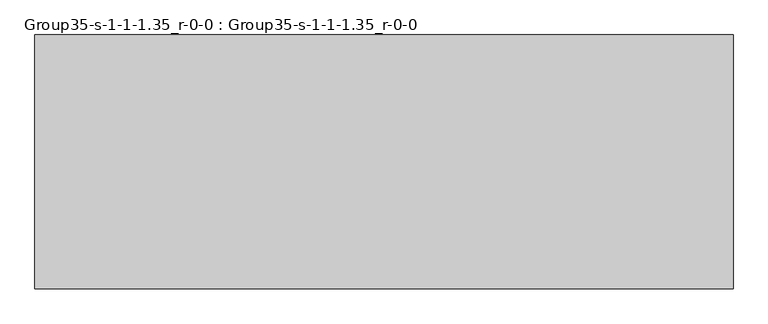
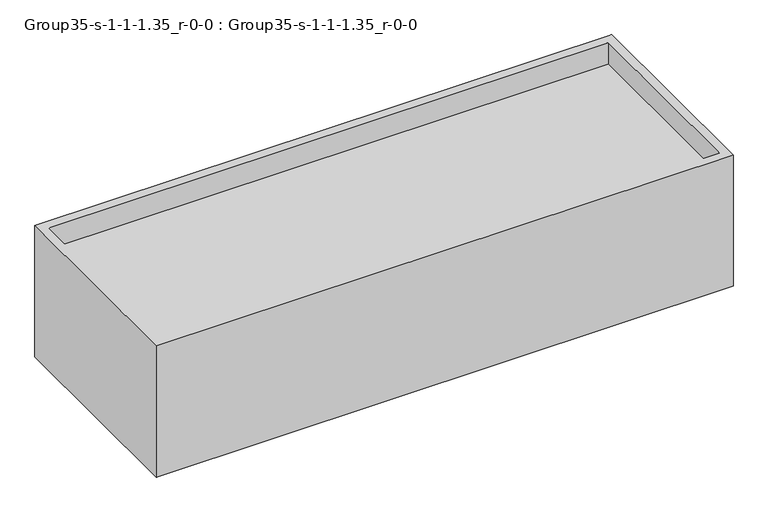
"""IFC4 building model written with IfcOpenShell, lengths in millimetres: geographic element geometry, Group35-s-1-1-1.35_r-0-0 : Group35-s-1-1-1.35_r-0-0."""

from ifc_helpers import new_model, si_unit, origin, place, context, project, spatial, triangles, source, transform, mapped, element, save


def group35_s_1_1_1_35_r_0_0_group35_s_1_1_1_35_r_0_0_d5b2540d(model_context):
    return source(origin(), model_context, "Body", "Tessellation", [
        triangles([(16976.7253876, 7585.0748062, 0.0), (-3868.7658897, 0.0, 0.0), (-3868.7658897, 7585.0748062, 0.0), (16976.7253876, 0.0, 0.0), (16976.7253876, 0.0, 5008.6820663), (-3868.7658897, 0.0, 5008.6820663), (-3563.9658897, 304.8, 5008.6820663), (-3868.7658897, 7585.0748062, 5008.6820663), (16671.9253876, 304.8, 5008.6820663), (16671.9253876, 7280.2748062, 5008.6820663), (-3563.9658897, 7280.2748062, 5008.6820663), (16976.7253876, 7585.0748062, 5008.6820663), (16671.9253876, 304.8, 4185.7221245), (-3563.9658897, 304.8, 4185.7221245), (-3563.9658897, 7280.2748062, 4185.7221245), (16671.9253876, 7280.2748062, 4185.7221245)], [[1, 2, 3], [2, 1, 4], [5, 2, 4], [2, 5, 6], [6, 7, 8], [7, 6, 5], [7, 5, 9], [9, 5, 10], [8, 11, 12], [11, 8, 7], [12, 11, 10], [12, 10, 5], [7, 13, 14], [13, 7, 9], [13, 15, 14], [15, 13, 16], [8, 2, 6], [2, 8, 3], [10, 13, 9], [13, 10, 16], [8, 1, 3], [1, 8, 12], [15, 7, 14], [7, 15, 11], [1, 5, 4], [5, 1, 12], [10, 15, 16], [15, 10, 11]]),
    ])


if __name__ == "__main__":
    model = new_model("IFC4")
    model_context = context("Model", 3, world=origin())
    ifc_project = project(units=[si_unit("LENGTHUNIT", "METRE", prefix="MILLI")], contexts=[model_context])
    site = spatial("IfcSite", under=ifc_project)
    building = spatial("IfcBuilding", under=site)
    placement = place(None, origin())
    group35_s_1_1_1_35_r_0_0_group35_s_1_1_1_35_r_0_0_shape = group35_s_1_1_1_35_r_0_0_group35_s_1_1_1_35_r_0_0_d5b2540d(model_context)
    element("IfcGeographicElement", 1, ObjectType="Group35-s-1-1-1.35_r-0-0 : Group35-s-1-1-1.35_r-0-0", at=placement, inside=building, context=model_context, shape_type="MappedRepresentation", body=[
        mapped(group35_s_1_1_1_35_r_0_0_group35_s_1_1_1_35_r_0_0_shape, transform((0.0, 0.0, 0.0), x_axis=(1.0, 0.0, 0.0), y_axis=(0.0, 1.0, 0.0), z_axis=(0.0, 0.0, 1.0))),
    ])
    save(model, "model.ifc")
